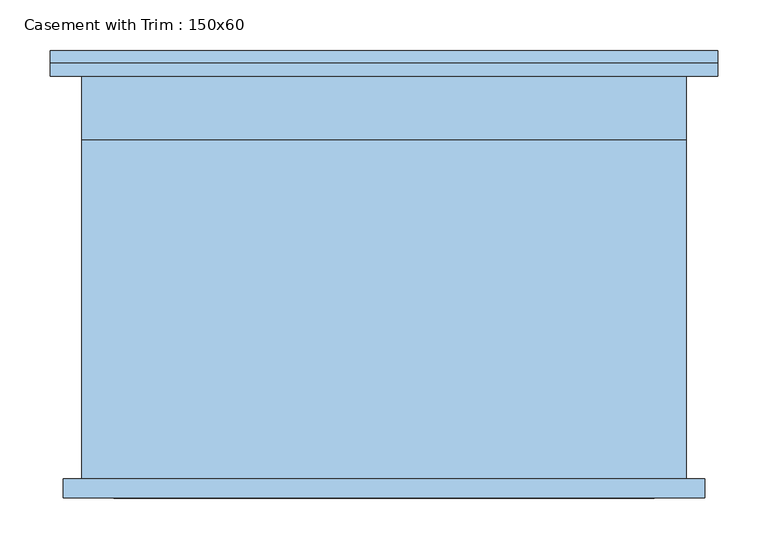
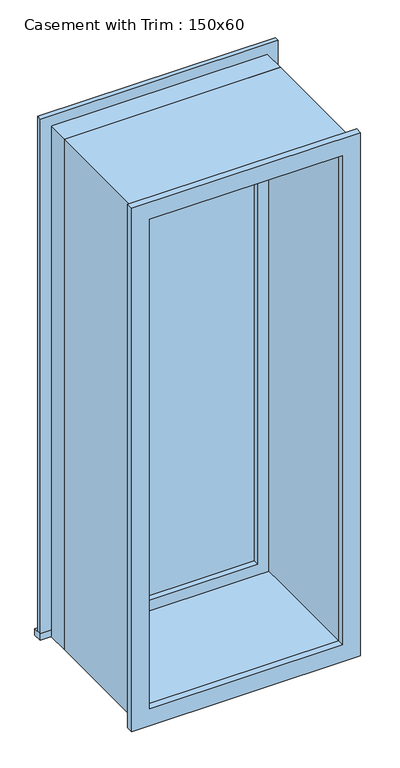
"""IFC4 building model written with IfcOpenShell, lengths in millimetres: window geometry, Casement with Trim : 150x60."""

from ifc_helpers import new_model, si_unit, frame, origin, place, context, project, spatial, polyline, outline, extrude, source, transform, mapped, element, save


def casement_with_trim_150x60_496f3e53(model_context):
    return source(origin(), model_context, "Body", "SweptSolid", [
        extrude(outline(polyline([(-330.95, 225.4), (330.95, 225.4), (330.95, 200.0), (-330.95, 200.0), (-330.95, 225.4)])), frame((0.0, 0.0, 914.4), z_axis=(0.0, 0.0, 1.0), x_axis=(1.0, 0.0, 0.0)), (0.0, 0.0, 1.0), 19.05),
        extrude(outline(polyline([(2395.35, -280.95), (2395.35, 280.95), (933.45, 280.95), (933.45, 330.95), (2445.35, 330.95), (2445.35, -330.95), (933.45, -330.95), (933.45, -280.95), (2395.35, -280.95)])), frame((0.0, 200.0, 0.0), z_axis=(0.0, 1.0, 0.0), x_axis=(0.0, 0.0, 1.0)), (0.0, 0.0, 1.0), 12.7),
        extrude(outline(polyline([(2432.65, 318.25), (2432.65, -318.25), (896.15, -318.25), (896.15, 318.25), (2432.65, 318.25)]), holes=[polyline([(2382.65, 268.25), (946.15, 268.25), (946.15, -268.25), (2382.65, -268.25), (2382.65, 268.25)])]), frame((0.0, -219.05, 0.0), z_axis=(0.0, 1.0, 0.0), x_axis=(0.0, 0.0, 1.0)), (0.0, 0.0, 1.0), 19.05),
        extrude(outline(polyline([(236.5, 152.375), (-236.5, 152.375), (-236.5, 165.075), (236.5, 165.075), (236.5, 152.375)])), frame((0.0, 0.0, 977.9), z_axis=(0.0, 0.0, 1.0), x_axis=(1.0, 0.0, 0.0)), (0.0, 0.0, 1.0), 1373.0),
        extrude(outline(polyline([(2395.35, -280.95), (933.45, -280.95), (933.45, 280.95), (2395.35, 280.95), (2395.35, -280.95)]), holes=[polyline([(2350.9, -236.5), (2350.9, 236.5), (977.9, 236.5), (977.9, -236.5), (2350.9, -236.5)])]), frame((0.0, 136.5, 0.0), z_axis=(0.0, 1.0, 0.0), x_axis=(0.0, 0.0, 1.0)), (0.0, 0.0, 1.0), 44.45),
        extrude(outline(polyline([(2414.4, -300.0), (914.4, -300.0), (914.4, 300.0), (2414.4, 300.0), (2414.4, -300.0)]), holes=[polyline([(2382.65, -268.25), (2382.65, 268.25), (946.15, 268.25), (946.15, -268.25), (2382.65, -268.25)])]), frame((0.0, -200.0, 0.0), z_axis=(0.0, 1.0, 0.0), x_axis=(0.0, 0.0, 1.0)), (0.0, 0.0, 1.0), 336.5),
        extrude(outline(polyline([(2414.4, 300.0), (2414.4, -300.0), (914.4, -300.0), (914.4, 300.0), (2414.4, 300.0)]), holes=[polyline([(2395.35, 280.95), (933.45, 280.95), (933.45, -280.95), (2395.35, -280.95), (2395.35, 280.95)])]), frame((0.0, 136.5, 0.0), z_axis=(0.0, 1.0, 0.0), x_axis=(0.0, 0.0, 1.0)), (0.0, 0.0, 1.0), 63.5),
    ])


if __name__ == "__main__":
    model = new_model("IFC4")
    model_context = context("Model", 3, world=origin())
    ifc_project = project(units=[si_unit("LENGTHUNIT", "METRE", prefix="MILLI")], contexts=[model_context])
    site = spatial("IfcSite", under=ifc_project)
    building = spatial("IfcBuilding", under=site)
    placement = place(None, origin())
    casement_with_trim_150x60_shape = casement_with_trim_150x60_496f3e53(model_context)
    element("IfcWindow", 1, ObjectType="Casement with Trim : 150x60", at=placement, inside=building, context=model_context, shape_type="MappedRepresentation", body=[
        mapped(casement_with_trim_150x60_shape, transform((0.0, 0.0, 0.0), x_axis=(1.0, 0.0, 0.0), y_axis=(0.0, 1.0, 0.0), z_axis=(0.0, 0.0, 1.0))),
    ])
    save(model, "model.ifc")
